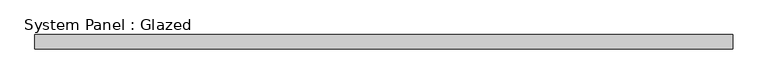
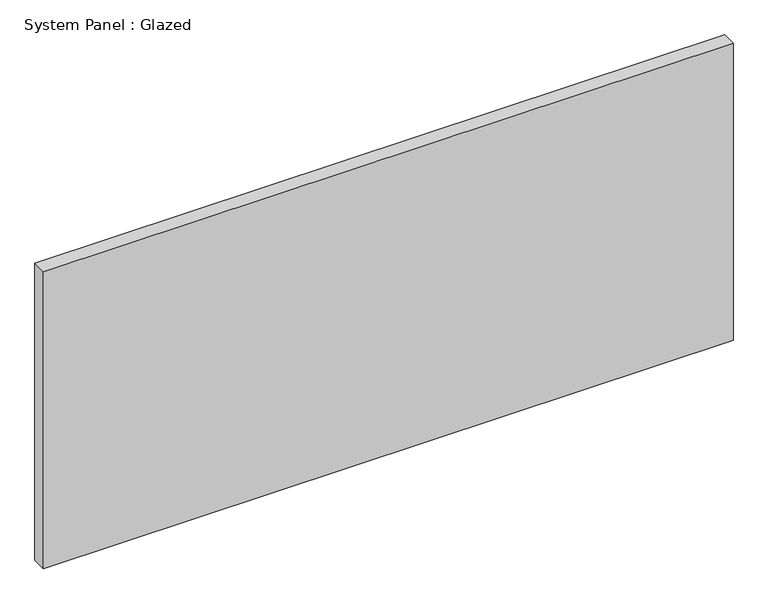
"""IFC4 building model written with IfcOpenShell, lengths in millimetres: plate geometry, System Panel : Glazed."""

from ifc_helpers import new_model, si_unit, origin, origin_with_axes, place, context, project, spatial, polyline, outline, extrude, source, transform, mapped, element, save


def system_panel_glazed_007607ee(model_context):
    return source(origin(), model_context, "Body", "SweptSolid", [
        extrude(outline(polyline([(613.8333333, -12.7), (-613.8333333, -12.7), (-613.8333333, 12.7), (613.8333333, 12.7), (613.8333333, -12.7)])), origin_with_axes(), (0.0, 0.0, 1.0), 558.8),
    ])


if __name__ == "__main__":
    model = new_model("IFC4")
    model_context = context("Model", 3, world=origin())
    ifc_project = project(units=[si_unit("LENGTHUNIT", "METRE", prefix="MILLI")], contexts=[model_context])
    site = spatial("IfcSite", under=ifc_project)
    building = spatial("IfcBuilding", under=site)
    placement = place(None, origin())
    system_panel_glazed_shape = system_panel_glazed_007607ee(model_context)
    element("IfcPlate", 1, ObjectType="System Panel : Glazed", at=placement, inside=building, context=model_context, shape_type="MappedRepresentation", body=[
        mapped(system_panel_glazed_shape, transform((0.0, 0.0, 0.0), x_axis=(1.0, 0.0, 0.0), y_axis=(0.0, 1.0, 0.0), z_axis=(0.0, 0.0, 1.0))),
    ])
    save(model, "model.ifc")
